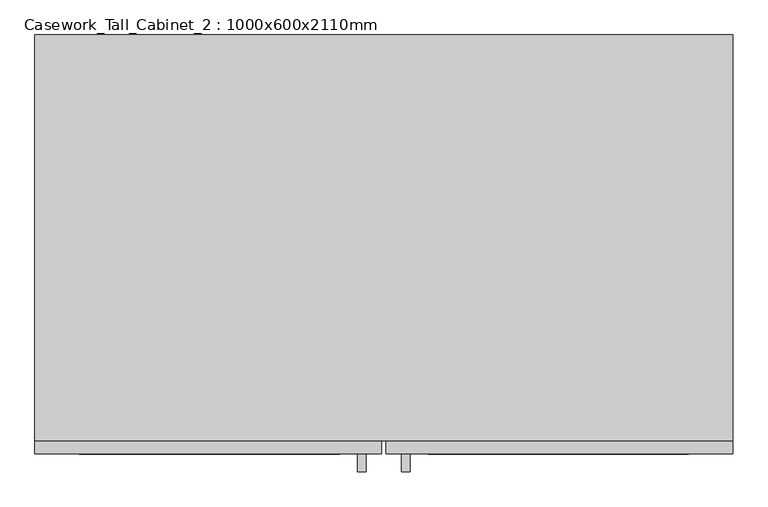
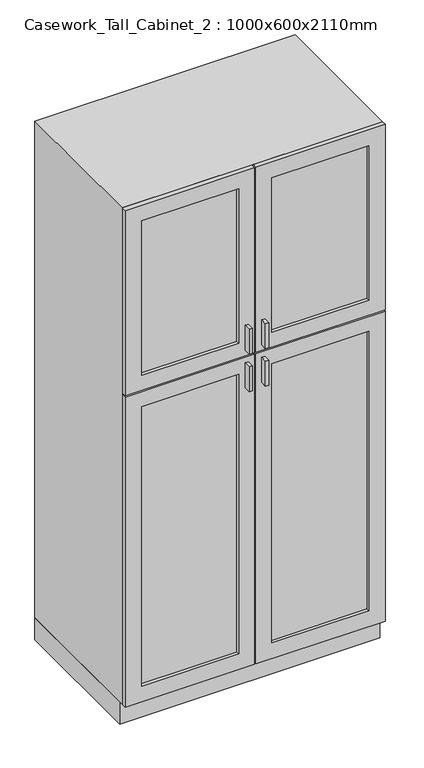
"""IFC4 building model written with IfcOpenShell, lengths in millimetres: furniture geometry, Casework_Tall_Cabinet_2 : 1000x600x2110mm."""

import ifcopenshell
import ifcopenshell.guid

model = None  # the IFC model being written
_history = None  # IfcOwnerHistory: only IFC2X3 demands one
_inside = {}  # id of a spatial element -> (the spatial element, [elements in it])
_under = {}  # id of a project, library or spatial element -> (it, [spatial elements below it])
_declared = {}  # id of a project -> (the project, [libraries it declares])
_typed = {}  # id of a type object -> (the type object, [elements of that type])
_made_of = {}  # id of a material, layer set ... -> (it, [elements and type objects made of it])


def new_model(schema):
    """Start an empty IFC model of exactly this schema.

    Asked for "IFC4X3", IfcOpenShell would pick the latest addendum, in which some entities
    have other attributes; the version numbers below select the first issue.
    IFC2X3 requires an IfcOwnerHistory on every rooted entity: one is made here for all.
    """
    global model, _history
    if schema == "IFC4X3":
        model = ifcopenshell.file(schema_version=(4, 3, 0, 0))
    else:
        model = ifcopenshell.file(schema=schema)
    _inside.clear()
    _under.clear()
    _declared.clear()
    _typed.clear()
    _made_of.clear()
    _history = None
    if model.schema == "IFC2X3":
        org = make("IfcOrganization", Name="unknown")
        user = make(
            "IfcPersonAndOrganization",
            ThePerson=make("IfcPerson", FamilyName="unknown"),
            TheOrganization=org,
        )
        app = make(
            "IfcApplication",
            ApplicationDeveloper=org,
            Version="unknown",
            ApplicationFullName="unknown",
            ApplicationIdentifier="unknown",
        )
        _history = make(
            "IfcOwnerHistory",
            OwningUser=user,
            OwningApplication=app,
            ChangeAction="ADDED",
            CreationDate=0,
        )
    return model


def make(cls, **values):
    """One entity of the class cls with the attributes given. An attribute that is None is left unset."""
    return model.create_entity(
        cls, **{name: value for name, value in values.items() if value is not None}
    )


def rooted(cls, **values):
    """An entity with a GlobalId (a new one), such as an element, a storey or a relation."""
    return make(cls, GlobalId=ifcopenshell.guid.new(), OwnerHistory=_history, **values)


def si_unit(unit_type, name, prefix=None):
    """IfcSIUnit, for example si_unit("LENGTHUNIT", "METRE", prefix="MILLI")."""
    return make("IfcSIUnit", UnitType=unit_type, Prefix=prefix, Name=name)


def assignment(units):
    """IfcUnitAssignment: the units of a project."""
    return None if units is None else make("IfcUnitAssignment", Units=units)


def point(xyz):
    """IfcCartesianPoint."""
    return None if xyz is None else make("IfcCartesianPoint", Coordinates=xyz)


def direction(xyz):
    """IfcDirection."""
    return None if xyz is None else make("IfcDirection", DirectionRatios=xyz)


def frame(location, z_axis=None, x_axis=None):
    """IfcAxis2Placement3D, a coordinate frame: its origin and axes. An axis left out is left unset."""
    return make(
        "IfcAxis2Placement3D",
        Location=point(location),
        Axis=direction(z_axis),
        RefDirection=direction(x_axis),
    )


def origin():
    """The frame at (0, 0, 0) with its axes left unset."""
    return frame((0.0, 0.0, 0.0))


def place(relative_to, where):
    """IfcLocalPlacement: puts the frame where relative to a parent placement (None: the world)."""
    return make(
        "IfcLocalPlacement", PlacementRelTo=relative_to, RelativePlacement=where
    )


def context(
    kind, dimensions, precision=None, world=None, true_north=None, identifier=None
):
    """IfcGeometricRepresentationContext, for example the 3D "Model" context."""
    return make(
        "IfcGeometricRepresentationContext",
        ContextIdentifier=identifier,
        ContextType=kind,
        CoordinateSpaceDimension=dimensions,
        Precision=precision,
        WorldCoordinateSystem=world,
        TrueNorth=true_north,
    )


def project(units=None, contexts=None):
    """IfcProject with its units and contexts."""
    return rooted(
        "IfcProject",
        Name="project",
        RepresentationContexts=contexts,
        UnitsInContext=assignment(units),
    )


def spatial(cls, under=None, at=None, **own):
    """A site, building, storey or space (cls), placed at a placement, below another one or the project."""
    s = rooted(cls, ObjectPlacement=at, **own)
    if under is not None:
        _under.setdefault(under.id(), (under, []))[1].append(s)
    return s


def polyline(points):
    """IfcPolyline through the points."""
    return make("IfcPolyline", Points=[point(p) for p in points])


def outline(outer, holes=None, kind="AREA"):
    """IfcArbitraryClosedProfileDef: a profile drawn as a closed curve; with holes, ...WithVoids."""
    if holes is None:
        return make("IfcArbitraryClosedProfileDef", ProfileType=kind, OuterCurve=outer)
    return make(
        "IfcArbitraryProfileDefWithVoids",
        ProfileType=kind,
        OuterCurve=outer,
        InnerCurves=holes,
    )


def extrude(swept, where, along, depth):
    """IfcExtrudedAreaSolid: the profile swept, set in the frame where, extruded along a direction by depth."""
    return make(
        "IfcExtrudedAreaSolid",
        SweptArea=swept,
        Position=where,
        ExtrudedDirection=direction(along),
        Depth=depth,
    )


def shape(context_of_items, identifier, shape_type, items):
    """IfcShapeRepresentation: the items that make up one representation, for example the "Body"."""
    return make(
        "IfcShapeRepresentation",
        ContextOfItems=context_of_items,
        RepresentationIdentifier=identifier,
        RepresentationType=shape_type,
        Items=items,
    )


def source(mapping_origin, context_of_items, identifier, shape_type, items):
    """IfcRepresentationMap: a shape defined once, which mapped items show again and again."""
    return make(
        "IfcRepresentationMap",
        MappingOrigin=mapping_origin,
        MappedRepresentation=shape(context_of_items, identifier, shape_type, items),
    )


def transform(
    local_origin,
    x_axis=None,
    y_axis=None,
    z_axis=None,
    scale=None,
    scale2=None,
    scale3=None,
    uniform=True,
):
    """IfcCartesianTransformationOperator3D, or its non-uniform kind. x_axis, y_axis, z_axis: its Axis1, 2, 3."""
    if uniform:
        return make(
            "IfcCartesianTransformationOperator3D",
            Axis1=direction(x_axis),
            Axis2=direction(y_axis),
            LocalOrigin=point(local_origin),
            Scale=scale,
            Axis3=direction(z_axis),
        )
    return make(
        "IfcCartesianTransformationOperator3DnonUniform",
        Axis1=direction(x_axis),
        Axis2=direction(y_axis),
        LocalOrigin=point(local_origin),
        Scale=scale,
        Axis3=direction(z_axis),
        Scale2=scale2,
        Scale3=scale3,
    )


def mapped(mapping_source, mapping_target):
    """IfcMappedItem: shows the shape of a source again, moved by a transform."""
    return make(
        "IfcMappedItem", MappingSource=mapping_source, MappingTarget=mapping_target
    )


def made_of(thing, what):
    """Note that an element or type object is made of a material, layer set ...; save() writes the relation."""
    if what is not None:
        _made_of.setdefault(what.id(), (what, []))[1].append(thing)
    return thing


def element(
    cls,
    number,
    at=None,
    inside=None,
    cuts=None,
    type_object=None,
    material=None,
    context=None,
    identifier="Body",
    shape_type=None,
    held_by="IfcProductDefinitionShape",
    body=None,
    shapes=None,
    **own,
):
    """One element of the class cls, such as IfcWall. Its Tag is "e" and its number.

    at: its placement. inside: the storey or other place that contains it. cuts: it is an
    opening in that element (IfcRelVoidsElement). A single representation is given by context,
    identifier, shape_type and body (its items); several are given by shapes. held_by: the class
    of the entity that holds the representations. save() writes the other relations.
    """
    e = rooted(cls, Tag="e%d" % number, ObjectPlacement=at, **own)
    if body is not None:
        shapes = [shape(context, identifier, shape_type, body)]
    if shapes is not None:
        e.Representation = make(held_by, Representations=shapes)
    if inside is not None:
        _inside.setdefault(inside.id(), (inside, []))[1].append(e)
    if cuts is not None:
        rooted(
            "IfcRelVoidsElement", RelatingBuildingElement=cuts, RelatedOpeningElement=e
        )
    if type_object is not None:
        _typed.setdefault(type_object.id(), (type_object, []))[1].append(e)
    return made_of(e, material)


def aggregate(whole, parts):
    """IfcRelAggregates: a whole, such as a stair, and the parts it consists of."""
    return rooted("IfcRelAggregates", RelatingObject=whole, RelatedObjects=parts)


def save(model, path):
    """Write the relations noted so far, then the file.

    IfcRelAggregates (storeys below a building ...), IfcRelContainedInSpatialStructure (elements
    in a storey), IfcRelDefinesByType, IfcRelAssociatesMaterial and IfcRelDeclares: one each for
    every whole, place, type object, material and project.
    """
    for whole, parts in _under.values():
        aggregate(whole, parts)
    for where, things in _inside.values():
        rooted(
            "IfcRelContainedInSpatialStructure",
            RelatedElements=things,
            RelatingStructure=where,
        )
    for kind, things in _typed.values():
        rooted("IfcRelDefinesByType", RelatedObjects=things, RelatingType=kind)
    for what, things in _made_of.values():
        rooted("IfcRelAssociatesMaterial", RelatedObjects=things, RelatingMaterial=what)
    for by, libraries in _declared.values():
        rooted("IfcRelDeclares", RelatingContext=by, RelatedDefinitions=libraries)
    model.write(path)


def casework_tall_cabinet_2_1000x600x2110mm_87df32f0(model_context):
    return source(origin(), model_context, "Body", "SweptSolid", [
        extrude(outline(polyline([(499.6877049, -19.05), (-462.2122951, -19.05), (-462.2122951, 0.0), (499.6877049, 0.0), (499.6877049, -19.05)])), frame((0.0, 0.0, 110.6375), z_axis=(0.0, 0.0, 1.0), x_axis=(1.0, 0.0, 0.0)), (0.0, 0.0, 1.0), 1980.3125),
        extrude(outline(polyline([(91.5875, 518.7377049), (2110.0, 518.7377049), (2110.0, -481.2622951), (91.5875, -481.2622951), (91.5875, 518.7377049)]), holes=[polyline([(2090.95, 499.6877049), (110.6375, 499.6877049), (110.6375, -462.2122951), (2090.95, -462.2122951), (2090.95, 499.6877049)])]), frame((0.0, -580.95, 0.0), z_axis=(0.0, 1.0, 0.0), x_axis=(0.0, 0.0, 1.0)), (0.0, 0.0, 1.0), 580.95),
        extrude(outline(polyline([(-6.6622951, -625.4), (-19.1945267, -625.4), (-19.1945267, -600.0), (-6.6622951, -600.0), (-6.6622951, -625.4)])), frame((0.0, 0.0, 1379.9480367), z_axis=(0.0, 0.0, 1.0), x_axis=(1.0, 0.0, 0.0)), (0.0, 0.0, 1.0), 101.6),
        extrude(outline(polyline([(56.6699365, -625.4), (44.1377049, -625.4), (44.1377049, -600.0), (56.6699365, -600.0), (56.6699365, -625.4)])), frame((0.0, 0.0, 1379.9480367), z_axis=(0.0, 0.0, 1.0), x_axis=(1.0, 0.0, 0.0)), (0.0, 0.0, 1.0), 101.6),
        extrude(outline(polyline([(-6.6622951, -625.4), (-19.1945267, -625.4), (-19.1945267, -600.0), (-6.6622951, -600.0), (-6.6622951, -625.4)])), frame((0.0, 0.0, 1227.5480367), z_axis=(0.0, 0.0, 1.0), x_axis=(1.0, 0.0, 0.0)), (0.0, 0.0, 1.0), 101.6),
        extrude(outline(polyline([(56.6699365, -625.4), (44.1377049, -625.4), (44.1377049, -600.0), (56.6699365, -600.0), (56.6699365, -625.4)])), frame((0.0, 0.0, 1227.5480367), z_axis=(0.0, 0.0, 1.0), x_axis=(1.0, 0.0, 0.0)), (0.0, 0.0, 1.0), 101.6),
        extrude(outline(polyline([(-44.7622951, -587.3), (-417.7622951, -587.3), (-417.7622951, -580.95), (-44.7622951, -580.95), (-44.7622951, -587.3)])), frame((0.0, 0.0, 1418.0480367), z_axis=(0.0, 0.0, 1.0), x_axis=(1.0, 0.0, 0.0)), (0.0, 0.0, 1.0), 628.4519633),
        extrude(outline(polyline([(455.2377049, -587.3), (82.2377049, -587.3), (82.2377049, -580.95), (455.2377049, -580.95), (455.2377049, -587.3)])), frame((0.0, 0.0, 1418.0480367), z_axis=(0.0, 0.0, 1.0), x_axis=(1.0, 0.0, 0.0)), (0.0, 0.0, 1.0), 628.4519633),
        extrude(outline(polyline([(-44.7622951, -587.3), (-417.7622951, -587.3), (-417.7622951, -580.95), (-44.7622951, -580.95), (-44.7622951, -587.3)])), frame((0.0, 0.0, 155.0875), z_axis=(0.0, 0.0, 1.0), x_axis=(1.0, 0.0, 0.0)), (0.0, 0.0, 1.0), 1135.9605367),
        extrude(outline(polyline([(455.2377049, -587.3), (82.2377049, -587.3), (82.2377049, -580.95), (455.2377049, -580.95), (455.2377049, -587.3)])), frame((0.0, 0.0, 155.0875), z_axis=(0.0, 0.0, 1.0), x_axis=(1.0, 0.0, 0.0)), (0.0, 0.0, 1.0), 1135.9605367),
        extrude(outline(polyline([(518.7377049, 0.0), (518.7377049, -565.0), (-481.2622951, -565.0), (-481.2622951, 0.0), (518.7377049, 0.0)])), frame((0.0, 0.0, 1.5875), z_axis=(0.0, 0.0, 1.0), x_axis=(1.0, 0.0, 0.0)), (0.0, 0.0, 1.0), 90.0),
        extrude(outline(polyline([(2110.0, 15.5627049), (2110.0, -481.2622951), (1357.7230367, -481.2622951), (1357.7230367, 15.5627049), (2110.0, 15.5627049)]), holes=[polyline([(2046.5, -44.7622951), (1418.0480367, -44.7622951), (1418.0480367, -417.7622951), (2046.5, -417.7622951), (2046.5, -44.7622951)])]), frame((0.0, -600.0, 0.0), z_axis=(0.0, 1.0, 0.0), x_axis=(0.0, 0.0, 1.0)), (0.0, 0.0, 1.0), 19.05),
        extrude(outline(polyline([(2110.0, 21.9127049), (1357.7230367, 21.9127049), (1357.7230367, 518.7377049), (2110.0, 518.7377049), (2110.0, 21.9127049)]), holes=[polyline([(2046.5, 455.2377049), (1418.0480367, 455.2377049), (1418.0480367, 82.2377049), (2046.5, 82.2377049), (2046.5, 455.2377049)])]), frame((0.0, -600.0, 0.0), z_axis=(0.0, 1.0, 0.0), x_axis=(0.0, 0.0, 1.0)), (0.0, 0.0, 1.0), 19.05),
        extrude(outline(polyline([(91.5875, 21.9127049), (91.5875, 518.7377049), (1351.3730367, 518.7377049), (1351.3730367, 21.9127049), (91.5875, 21.9127049)]), holes=[polyline([(1291.0480367, 82.2377049), (1291.0480367, 455.2377049), (155.0875, 455.2377049), (155.0875, 82.2377049), (1291.0480367, 82.2377049)])]), frame((0.0, -600.0, 0.0), z_axis=(0.0, 1.0, 0.0), x_axis=(0.0, 0.0, 1.0)), (0.0, 0.0, 1.0), 19.05),
        extrude(outline(polyline([(91.5875, 15.5627049), (1351.3730367, 15.5627049), (1351.3730367, -481.2622951), (91.5875, -481.2622951), (91.5875, 15.5627049)]), holes=[polyline([(1291.0480367, -44.7622951), (155.0875, -44.7622951), (155.0875, -417.7622951), (1291.0480367, -417.7622951), (1291.0480367, -44.7622951)])]), frame((0.0, -600.0, 0.0), z_axis=(0.0, 1.0, 0.0), x_axis=(0.0, 0.0, 1.0)), (0.0, 0.0, 1.0), 19.05),
    ])


if __name__ == "__main__":
    model = new_model("IFC4")
    model_context = context("Model", 3, world=origin())
    ifc_project = project(units=[si_unit("LENGTHUNIT", "METRE", prefix="MILLI")], contexts=[model_context])
    site = spatial("IfcSite", under=ifc_project)
    building = spatial("IfcBuilding", under=site)
    placement = place(None, origin())
    casework_tall_cabinet_2_1000x600x2110mm_shape = casework_tall_cabinet_2_1000x600x2110mm_87df32f0(model_context)
    element("IfcFurniture", 1, ObjectType="Casework_Tall_Cabinet_2 : 1000x600x2110mm", at=placement, inside=building, context=model_context, shape_type="MappedRepresentation", body=[
        mapped(casework_tall_cabinet_2_1000x600x2110mm_shape, transform((0.0, 0.0, 0.0), x_axis=(1.0, 0.0, 0.0), y_axis=(0.0, 1.0, 0.0), z_axis=(0.0, 0.0, 1.0))),
    ])
    save(model, "model.ifc")
